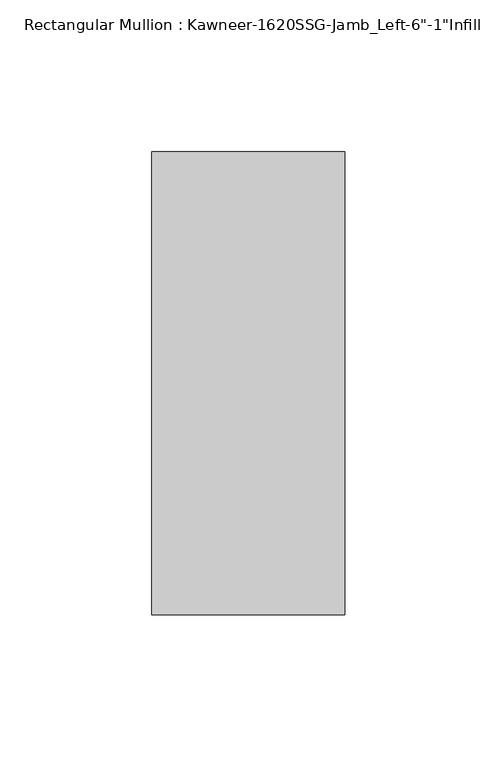
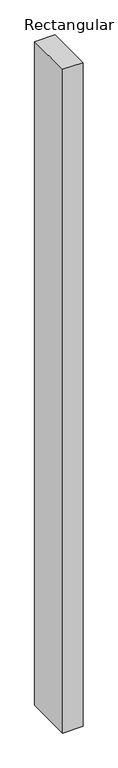
"""IFC4 building model written with IfcOpenShell, lengths in millimetres: member geometry."""

from ifc_helpers import new_model, si_unit, frame, origin, place, context, project, spatial, polyline, outline, extrude, source, transform, mapped, element, save


def member_01b714ac(model_context):
    return source(origin(), model_context, "Body", "SweptSolid", [
        extrude(outline(polyline([(-63.5, 38.1), (0.0, 38.1), (0.0, -114.3), (-63.5, -114.3), (-63.5, 38.1)])), frame((0.0, 0.0, -2203.45), z_axis=(0.0, 0.0, 1.0), x_axis=(1.0, 0.0, 0.0)), (0.0, 0.0, 1.0), 2203.45),
    ])


if __name__ == "__main__":
    model = new_model("IFC4")
    model_context = context("Model", 3, world=origin())
    ifc_project = project(units=[si_unit("LENGTHUNIT", "METRE", prefix="MILLI")], contexts=[model_context])
    site = spatial("IfcSite", under=ifc_project)
    building = spatial("IfcBuilding", under=site)
    placement = place(None, origin())
    member_shape = member_01b714ac(model_context)
    element("IfcMember", 1, ObjectType="Rectangular Mullion : Kawneer-1620SSG-Jamb_Left-6\"-1\"Infill", at=placement, inside=building, context=model_context, shape_type="MappedRepresentation", body=[
        mapped(member_shape, transform((0.0, 0.0, 0.0), x_axis=(1.0, 0.0, 0.0), y_axis=(0.0, 1.0, 0.0), z_axis=(0.0, 0.0, 1.0))),
    ])
    save(model, "model.ifc")
